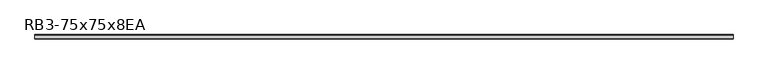
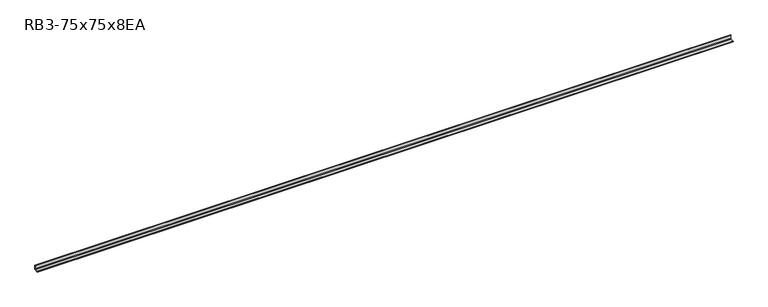
"""IFC4 building model written with IfcOpenShell, lengths in millimetres: member geometry, RB3-75x75x8EA."""

from ifc_helpers import new_model, si_unit, point, frame, frame_2d, origin, place, context, project, spatial, polyline, circle_curve, trimmed, segment, composite_curve, outline, extrude, source, transform, mapped, element, save


def rb3_75x75x8ea_838ecfa4(model_context):
    return source(origin(), model_context, "Body", "SweptSolid", [
        extrude(outline(composite_curve([segment(polyline([(21.3, -21.3), (-53.7, -21.3), (-53.7, -18.3)]), True, "CONTINUOUS"), segment(trimmed(circle_curve(frame_2d((-48.7, -18.3)), 5.0), [point((-53.7, -18.3))], [point((-48.7, -13.3))], False, "CARTESIAN"), True, "CONTINUOUS"), segment(polyline([(-48.7, -13.3), (5.3, -13.3)]), True, "CONTINUOUS"), segment(trimmed(circle_curve(frame_2d((5.3, -5.3)), 8.0), [point((5.3, -13.3))], [point((13.3, -5.3))], True, "CARTESIAN"), True, "CONTINUOUS"), segment(polyline([(13.3, -5.3), (13.3, 48.7)]), True, "CONTINUOUS"), segment(trimmed(circle_curve(frame_2d((18.3, 48.7)), 5.0), [point((13.3, 48.7))], [point((18.3, 53.7))], False, "CARTESIAN"), True, "CONTINUOUS"), segment(polyline([(18.3, 53.7), (21.3, 53.7), (21.3, -21.3)]), True, "CONTINUOUS")], self_intersect=False)), frame((-5863.0, 0.0, 0.0), z_axis=(1.0, 0.0, 0.0), x_axis=(0.0, 1.0, 0.0)), (0.0, 0.0, 1.0), 11775.0),
    ])


if __name__ == "__main__":
    model = new_model("IFC4")
    model_context = context("Model", 3, world=origin())
    ifc_project = project(units=[si_unit("LENGTHUNIT", "METRE", prefix="MILLI")], contexts=[model_context])
    site = spatial("IfcSite", under=ifc_project)
    building = spatial("IfcBuilding", under=site)
    placement = place(None, origin())
    rb3_75x75x8ea_shape = rb3_75x75x8ea_838ecfa4(model_context)
    element("IfcMember", 1, ObjectType="RB3-75x75x8EA", at=placement, inside=building, context=model_context, shape_type="MappedRepresentation", body=[
        mapped(rb3_75x75x8ea_shape, transform((0.0, 0.0, 0.0), x_axis=(1.0, 0.0, 0.0), y_axis=(0.0, 1.0, 0.0), z_axis=(0.0, 0.0, 1.0))),
    ])
    save(model, "model.ifc")
